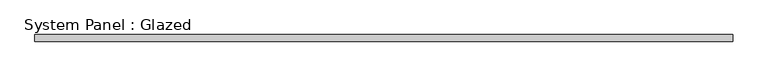
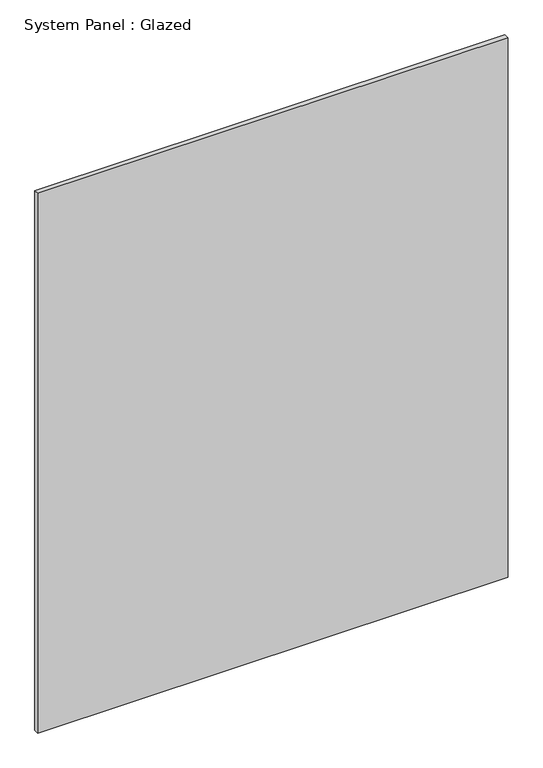
"""IFC4 building model written with IfcOpenShell, lengths in millimetres: plate geometry, System Panel : Glazed."""

import ifcopenshell
import ifcopenshell.guid

model = None  # the IFC model being written
_history = None  # IfcOwnerHistory: only IFC2X3 demands one
_inside = {}  # id of a spatial element -> (the spatial element, [elements in it])
_under = {}  # id of a project, library or spatial element -> (it, [spatial elements below it])
_declared = {}  # id of a project -> (the project, [libraries it declares])
_typed = {}  # id of a type object -> (the type object, [elements of that type])
_made_of = {}  # id of a material, layer set ... -> (it, [elements and type objects made of it])


def new_model(schema):
    """Start an empty IFC model of exactly this schema.

    Asked for "IFC4X3", IfcOpenShell would pick the latest addendum, in which some entities
    have other attributes; the version numbers below select the first issue.
    IFC2X3 requires an IfcOwnerHistory on every rooted entity: one is made here for all.
    """
    global model, _history
    if schema == "IFC4X3":
        model = ifcopenshell.file(schema_version=(4, 3, 0, 0))
    else:
        model = ifcopenshell.file(schema=schema)
    _inside.clear()
    _under.clear()
    _declared.clear()
    _typed.clear()
    _made_of.clear()
    _history = None
    if model.schema == "IFC2X3":
        org = make("IfcOrganization", Name="unknown")
        user = make(
            "IfcPersonAndOrganization",
            ThePerson=make("IfcPerson", FamilyName="unknown"),
            TheOrganization=org,
        )
        app = make(
            "IfcApplication",
            ApplicationDeveloper=org,
            Version="unknown",
            ApplicationFullName="unknown",
            ApplicationIdentifier="unknown",
        )
        _history = make(
            "IfcOwnerHistory",
            OwningUser=user,
            OwningApplication=app,
            ChangeAction="ADDED",
            CreationDate=0,
        )
    return model


def make(cls, **values):
    """One entity of the class cls with the attributes given. An attribute that is None is left unset."""
    return model.create_entity(
        cls, **{name: value for name, value in values.items() if value is not None}
    )


def rooted(cls, **values):
    """An entity with a GlobalId (a new one), such as an element, a storey or a relation."""
    return make(cls, GlobalId=ifcopenshell.guid.new(), OwnerHistory=_history, **values)


def si_unit(unit_type, name, prefix=None):
    """IfcSIUnit, for example si_unit("LENGTHUNIT", "METRE", prefix="MILLI")."""
    return make("IfcSIUnit", UnitType=unit_type, Prefix=prefix, Name=name)


def assignment(units):
    """IfcUnitAssignment: the units of a project."""
    return None if units is None else make("IfcUnitAssignment", Units=units)


def point(xyz):
    """IfcCartesianPoint."""
    return None if xyz is None else make("IfcCartesianPoint", Coordinates=xyz)


def direction(xyz):
    """IfcDirection."""
    return None if xyz is None else make("IfcDirection", DirectionRatios=xyz)


def frame(location, z_axis=None, x_axis=None):
    """IfcAxis2Placement3D, a coordinate frame: its origin and axes. An axis left out is left unset."""
    return make(
        "IfcAxis2Placement3D",
        Location=point(location),
        Axis=direction(z_axis),
        RefDirection=direction(x_axis),
    )


def origin():
    """The frame at (0, 0, 0) with its axes left unset."""
    return frame((0.0, 0.0, 0.0))


def origin_with_axes():
    """The frame at (0, 0, 0) with the z axis (0, 0, 1) and the x axis (1, 0, 0) written out."""
    return frame((0.0, 0.0, 0.0), z_axis=(0.0, 0.0, 1.0), x_axis=(1.0, 0.0, 0.0))


def place(relative_to, where):
    """IfcLocalPlacement: puts the frame where relative to a parent placement (None: the world)."""
    return make(
        "IfcLocalPlacement", PlacementRelTo=relative_to, RelativePlacement=where
    )


def context(
    kind, dimensions, precision=None, world=None, true_north=None, identifier=None
):
    """IfcGeometricRepresentationContext, for example the 3D "Model" context."""
    return make(
        "IfcGeometricRepresentationContext",
        ContextIdentifier=identifier,
        ContextType=kind,
        CoordinateSpaceDimension=dimensions,
        Precision=precision,
        WorldCoordinateSystem=world,
        TrueNorth=true_north,
    )


def project(units=None, contexts=None):
    """IfcProject with its units and contexts."""
    return rooted(
        "IfcProject",
        Name="project",
        RepresentationContexts=contexts,
        UnitsInContext=assignment(units),
    )


def spatial(cls, under=None, at=None, **own):
    """A site, building, storey or space (cls), placed at a placement, below another one or the project."""
    s = rooted(cls, ObjectPlacement=at, **own)
    if under is not None:
        _under.setdefault(under.id(), (under, []))[1].append(s)
    return s


def polyline(points):
    """IfcPolyline through the points."""
    return make("IfcPolyline", Points=[point(p) for p in points])


def outline(outer, holes=None, kind="AREA"):
    """IfcArbitraryClosedProfileDef: a profile drawn as a closed curve; with holes, ...WithVoids."""
    if holes is None:
        return make("IfcArbitraryClosedProfileDef", ProfileType=kind, OuterCurve=outer)
    return make(
        "IfcArbitraryProfileDefWithVoids",
        ProfileType=kind,
        OuterCurve=outer,
        InnerCurves=holes,
    )


def extrude(swept, where, along, depth):
    """IfcExtrudedAreaSolid: the profile swept, set in the frame where, extruded along a direction by depth."""
    return make(
        "IfcExtrudedAreaSolid",
        SweptArea=swept,
        Position=where,
        ExtrudedDirection=direction(along),
        Depth=depth,
    )


def shape(context_of_items, identifier, shape_type, items):
    """IfcShapeRepresentation: the items that make up one representation, for example the "Body"."""
    return make(
        "IfcShapeRepresentation",
        ContextOfItems=context_of_items,
        RepresentationIdentifier=identifier,
        RepresentationType=shape_type,
        Items=items,
    )


def source(mapping_origin, context_of_items, identifier, shape_type, items):
    """IfcRepresentationMap: a shape defined once, which mapped items show again and again."""
    return make(
        "IfcRepresentationMap",
        MappingOrigin=mapping_origin,
        MappedRepresentation=shape(context_of_items, identifier, shape_type, items),
    )


def transform(
    local_origin,
    x_axis=None,
    y_axis=None,
    z_axis=None,
    scale=None,
    scale2=None,
    scale3=None,
    uniform=True,
):
    """IfcCartesianTransformationOperator3D, or its non-uniform kind. x_axis, y_axis, z_axis: its Axis1, 2, 3."""
    if uniform:
        return make(
            "IfcCartesianTransformationOperator3D",
            Axis1=direction(x_axis),
            Axis2=direction(y_axis),
            LocalOrigin=point(local_origin),
            Scale=scale,
            Axis3=direction(z_axis),
        )
    return make(
        "IfcCartesianTransformationOperator3DnonUniform",
        Axis1=direction(x_axis),
        Axis2=direction(y_axis),
        LocalOrigin=point(local_origin),
        Scale=scale,
        Axis3=direction(z_axis),
        Scale2=scale2,
        Scale3=scale3,
    )


def mapped(mapping_source, mapping_target):
    """IfcMappedItem: shows the shape of a source again, moved by a transform."""
    return make(
        "IfcMappedItem", MappingSource=mapping_source, MappingTarget=mapping_target
    )


def made_of(thing, what):
    """Note that an element or type object is made of a material, layer set ...; save() writes the relation."""
    if what is not None:
        _made_of.setdefault(what.id(), (what, []))[1].append(thing)
    return thing


def element(
    cls,
    number,
    at=None,
    inside=None,
    cuts=None,
    type_object=None,
    material=None,
    context=None,
    identifier="Body",
    shape_type=None,
    held_by="IfcProductDefinitionShape",
    body=None,
    shapes=None,
    **own,
):
    """One element of the class cls, such as IfcWall. Its Tag is "e" and its number.

    at: its placement. inside: the storey or other place that contains it. cuts: it is an
    opening in that element (IfcRelVoidsElement). A single representation is given by context,
    identifier, shape_type and body (its items); several are given by shapes. held_by: the class
    of the entity that holds the representations. save() writes the other relations.
    """
    e = rooted(cls, Tag="e%d" % number, ObjectPlacement=at, **own)
    if body is not None:
        shapes = [shape(context, identifier, shape_type, body)]
    if shapes is not None:
        e.Representation = make(held_by, Representations=shapes)
    if inside is not None:
        _inside.setdefault(inside.id(), (inside, []))[1].append(e)
    if cuts is not None:
        rooted(
            "IfcRelVoidsElement", RelatingBuildingElement=cuts, RelatedOpeningElement=e
        )
    if type_object is not None:
        _typed.setdefault(type_object.id(), (type_object, []))[1].append(e)
    return made_of(e, material)


def aggregate(whole, parts):
    """IfcRelAggregates: a whole, such as a stair, and the parts it consists of."""
    return rooted("IfcRelAggregates", RelatingObject=whole, RelatedObjects=parts)


def save(model, path):
    """Write the relations noted so far, then the file.

    IfcRelAggregates (storeys below a building ...), IfcRelContainedInSpatialStructure (elements
    in a storey), IfcRelDefinesByType, IfcRelAssociatesMaterial and IfcRelDeclares: one each for
    every whole, place, type object, material and project.
    """
    for whole, parts in _under.values():
        aggregate(whole, parts)
    for where, things in _inside.values():
        rooted(
            "IfcRelContainedInSpatialStructure",
            RelatedElements=things,
            RelatingStructure=where,
        )
    for kind, things in _typed.values():
        rooted("IfcRelDefinesByType", RelatedObjects=things, RelatingType=kind)
    for what, things in _made_of.values():
        rooted("IfcRelAssociatesMaterial", RelatedObjects=things, RelatingMaterial=what)
    for by, libraries in _declared.values():
        rooted("IfcRelDeclares", RelatingContext=by, RelatedDefinitions=libraries)
    model.write(path)


def system_panel_glazed_abbe1149(model_context):
    return source(origin(), model_context, "Body", "SweptSolid", [
        extrude(outline(polyline([(1237.3005707, 24.5), (-1237.3005707, 24.5), (-1237.3005707, 49.5), (1237.3005707, 49.5), (1237.3005707, 24.5)])), origin_with_axes(), (0.0, 0.0, 1.0), 3000.0),
    ])


if __name__ == "__main__":
    model = new_model("IFC4")
    model_context = context("Model", 3, world=origin())
    ifc_project = project(units=[si_unit("LENGTHUNIT", "METRE", prefix="MILLI")], contexts=[model_context])
    site = spatial("IfcSite", under=ifc_project)
    building = spatial("IfcBuilding", under=site)
    placement = place(None, origin())
    system_panel_glazed_shape = system_panel_glazed_abbe1149(model_context)
    element("IfcPlate", 1, ObjectType="System Panel : Glazed", at=placement, inside=building, context=model_context, shape_type="MappedRepresentation", body=[
        mapped(system_panel_glazed_shape, transform((0.0, 0.0, 0.0), x_axis=(1.0, 0.0, 0.0), y_axis=(0.0, 1.0, 0.0), z_axis=(0.0, 0.0, 1.0))),
    ])
    save(model, "model.ifc")
